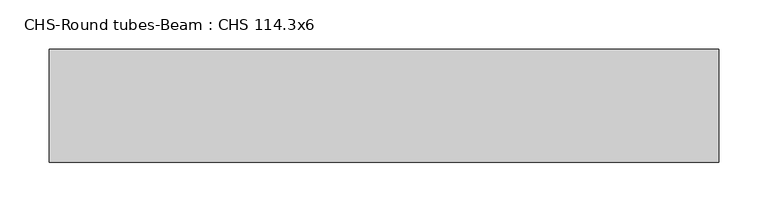
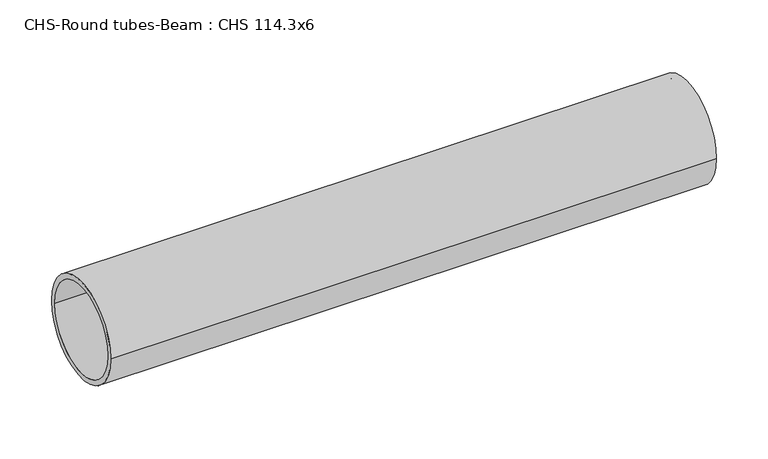
"""IFC4 building model written with IfcOpenShell, lengths in millimetres: beam geometry, CHS-Round tubes-Beam : CHS 114.3x6."""

import ifcopenshell
import ifcopenshell.guid

model = None  # the IFC model being written
_history = None  # IfcOwnerHistory: only IFC2X3 demands one
_inside = {}  # id of a spatial element -> (the spatial element, [elements in it])
_under = {}  # id of a project, library or spatial element -> (it, [spatial elements below it])
_declared = {}  # id of a project -> (the project, [libraries it declares])
_typed = {}  # id of a type object -> (the type object, [elements of that type])
_made_of = {}  # id of a material, layer set ... -> (it, [elements and type objects made of it])


def new_model(schema):
    """Start an empty IFC model of exactly this schema.

    Asked for "IFC4X3", IfcOpenShell would pick the latest addendum, in which some entities
    have other attributes; the version numbers below select the first issue.
    IFC2X3 requires an IfcOwnerHistory on every rooted entity: one is made here for all.
    """
    global model, _history
    if schema == "IFC4X3":
        model = ifcopenshell.file(schema_version=(4, 3, 0, 0))
    else:
        model = ifcopenshell.file(schema=schema)
    _inside.clear()
    _under.clear()
    _declared.clear()
    _typed.clear()
    _made_of.clear()
    _history = None
    if model.schema == "IFC2X3":
        org = make("IfcOrganization", Name="unknown")
        user = make(
            "IfcPersonAndOrganization",
            ThePerson=make("IfcPerson", FamilyName="unknown"),
            TheOrganization=org,
        )
        app = make(
            "IfcApplication",
            ApplicationDeveloper=org,
            Version="unknown",
            ApplicationFullName="unknown",
            ApplicationIdentifier="unknown",
        )
        _history = make(
            "IfcOwnerHistory",
            OwningUser=user,
            OwningApplication=app,
            ChangeAction="ADDED",
            CreationDate=0,
        )
    return model


def make(cls, **values):
    """One entity of the class cls with the attributes given. An attribute that is None is left unset."""
    return model.create_entity(
        cls, **{name: value for name, value in values.items() if value is not None}
    )


def rooted(cls, **values):
    """An entity with a GlobalId (a new one), such as an element, a storey or a relation."""
    return make(cls, GlobalId=ifcopenshell.guid.new(), OwnerHistory=_history, **values)


def si_unit(unit_type, name, prefix=None):
    """IfcSIUnit, for example si_unit("LENGTHUNIT", "METRE", prefix="MILLI")."""
    return make("IfcSIUnit", UnitType=unit_type, Prefix=prefix, Name=name)


def assignment(units):
    """IfcUnitAssignment: the units of a project."""
    return None if units is None else make("IfcUnitAssignment", Units=units)


def point(xyz):
    """IfcCartesianPoint."""
    return None if xyz is None else make("IfcCartesianPoint", Coordinates=xyz)


def direction(xyz):
    """IfcDirection."""
    return None if xyz is None else make("IfcDirection", DirectionRatios=xyz)


def frame(location, z_axis=None, x_axis=None):
    """IfcAxis2Placement3D, a coordinate frame: its origin and axes. An axis left out is left unset."""
    return make(
        "IfcAxis2Placement3D",
        Location=point(location),
        Axis=direction(z_axis),
        RefDirection=direction(x_axis),
    )


def frame_2d(location, x_axis=None):
    """IfcAxis2Placement2D, a coordinate frame in the plane: its origin and x axis."""
    return make(
        "IfcAxis2Placement2D", Location=point(location), RefDirection=direction(x_axis)
    )


def origin():
    """The frame at (0, 0, 0) with its axes left unset."""
    return frame((0.0, 0.0, 0.0))


def origin_2d():
    """The frame at (0, 0) in the plane with its x axis left unset."""
    return frame_2d((0.0, 0.0))


def place(relative_to, where):
    """IfcLocalPlacement: puts the frame where relative to a parent placement (None: the world)."""
    return make(
        "IfcLocalPlacement", PlacementRelTo=relative_to, RelativePlacement=where
    )


def context(
    kind, dimensions, precision=None, world=None, true_north=None, identifier=None
):
    """IfcGeometricRepresentationContext, for example the 3D "Model" context."""
    return make(
        "IfcGeometricRepresentationContext",
        ContextIdentifier=identifier,
        ContextType=kind,
        CoordinateSpaceDimension=dimensions,
        Precision=precision,
        WorldCoordinateSystem=world,
        TrueNorth=true_north,
    )


def project(units=None, contexts=None):
    """IfcProject with its units and contexts."""
    return rooted(
        "IfcProject",
        Name="project",
        RepresentationContexts=contexts,
        UnitsInContext=assignment(units),
    )


def spatial(cls, under=None, at=None, **own):
    """A site, building, storey or space (cls), placed at a placement, below another one or the project."""
    s = rooted(cls, ObjectPlacement=at, **own)
    if under is not None:
        _under.setdefault(under.id(), (under, []))[1].append(s)
    return s


def circle_curve(where, radius):
    """IfcCircle in the frame where."""
    return make("IfcCircle", Position=where, Radius=radius)


def trimmed(basis, trim1, trim2, sense, master):
    """IfcTrimmedCurve: the piece of a basis curve between two trims."""
    return make(
        "IfcTrimmedCurve",
        BasisCurve=basis,
        Trim1=trim1,
        Trim2=trim2,
        SenseAgreement=sense,
        MasterRepresentation=master,
    )


def segment(curve, same_sense, transition):
    """IfcCompositeCurveSegment."""
    return make(
        "IfcCompositeCurveSegment",
        Transition=transition,
        SameSense=same_sense,
        ParentCurve=curve,
    )


def composite_curve(segments, self_intersect=None):
    """IfcCompositeCurve: segments joined end to end."""
    return make("IfcCompositeCurve", Segments=segments, SelfIntersect=self_intersect)


def outline(outer, holes=None, kind="AREA"):
    """IfcArbitraryClosedProfileDef: a profile drawn as a closed curve; with holes, ...WithVoids."""
    if holes is None:
        return make("IfcArbitraryClosedProfileDef", ProfileType=kind, OuterCurve=outer)
    return make(
        "IfcArbitraryProfileDefWithVoids",
        ProfileType=kind,
        OuterCurve=outer,
        InnerCurves=holes,
    )


def extrude(swept, where, along, depth):
    """IfcExtrudedAreaSolid: the profile swept, set in the frame where, extruded along a direction by depth."""
    return make(
        "IfcExtrudedAreaSolid",
        SweptArea=swept,
        Position=where,
        ExtrudedDirection=direction(along),
        Depth=depth,
    )


def shape(context_of_items, identifier, shape_type, items):
    """IfcShapeRepresentation: the items that make up one representation, for example the "Body"."""
    return make(
        "IfcShapeRepresentation",
        ContextOfItems=context_of_items,
        RepresentationIdentifier=identifier,
        RepresentationType=shape_type,
        Items=items,
    )


def source(mapping_origin, context_of_items, identifier, shape_type, items):
    """IfcRepresentationMap: a shape defined once, which mapped items show again and again."""
    return make(
        "IfcRepresentationMap",
        MappingOrigin=mapping_origin,
        MappedRepresentation=shape(context_of_items, identifier, shape_type, items),
    )


def transform(
    local_origin,
    x_axis=None,
    y_axis=None,
    z_axis=None,
    scale=None,
    scale2=None,
    scale3=None,
    uniform=True,
):
    """IfcCartesianTransformationOperator3D, or its non-uniform kind. x_axis, y_axis, z_axis: its Axis1, 2, 3."""
    if uniform:
        return make(
            "IfcCartesianTransformationOperator3D",
            Axis1=direction(x_axis),
            Axis2=direction(y_axis),
            LocalOrigin=point(local_origin),
            Scale=scale,
            Axis3=direction(z_axis),
        )
    return make(
        "IfcCartesianTransformationOperator3DnonUniform",
        Axis1=direction(x_axis),
        Axis2=direction(y_axis),
        LocalOrigin=point(local_origin),
        Scale=scale,
        Axis3=direction(z_axis),
        Scale2=scale2,
        Scale3=scale3,
    )


def mapped(mapping_source, mapping_target):
    """IfcMappedItem: shows the shape of a source again, moved by a transform."""
    return make(
        "IfcMappedItem", MappingSource=mapping_source, MappingTarget=mapping_target
    )


def made_of(thing, what):
    """Note that an element or type object is made of a material, layer set ...; save() writes the relation."""
    if what is not None:
        _made_of.setdefault(what.id(), (what, []))[1].append(thing)
    return thing


def element(
    cls,
    number,
    at=None,
    inside=None,
    cuts=None,
    type_object=None,
    material=None,
    context=None,
    identifier="Body",
    shape_type=None,
    held_by="IfcProductDefinitionShape",
    body=None,
    shapes=None,
    **own,
):
    """One element of the class cls, such as IfcWall. Its Tag is "e" and its number.

    at: its placement. inside: the storey or other place that contains it. cuts: it is an
    opening in that element (IfcRelVoidsElement). A single representation is given by context,
    identifier, shape_type and body (its items); several are given by shapes. held_by: the class
    of the entity that holds the representations. save() writes the other relations.
    """
    e = rooted(cls, Tag="e%d" % number, ObjectPlacement=at, **own)
    if body is not None:
        shapes = [shape(context, identifier, shape_type, body)]
    if shapes is not None:
        e.Representation = make(held_by, Representations=shapes)
    if inside is not None:
        _inside.setdefault(inside.id(), (inside, []))[1].append(e)
    if cuts is not None:
        rooted(
            "IfcRelVoidsElement", RelatingBuildingElement=cuts, RelatedOpeningElement=e
        )
    if type_object is not None:
        _typed.setdefault(type_object.id(), (type_object, []))[1].append(e)
    return made_of(e, material)


def aggregate(whole, parts):
    """IfcRelAggregates: a whole, such as a stair, and the parts it consists of."""
    return rooted("IfcRelAggregates", RelatingObject=whole, RelatedObjects=parts)


def save(model, path):
    """Write the relations noted so far, then the file.

    IfcRelAggregates (storeys below a building ...), IfcRelContainedInSpatialStructure (elements
    in a storey), IfcRelDefinesByType, IfcRelAssociatesMaterial and IfcRelDeclares: one each for
    every whole, place, type object, material and project.
    """
    for whole, parts in _under.values():
        aggregate(whole, parts)
    for where, things in _inside.values():
        rooted(
            "IfcRelContainedInSpatialStructure",
            RelatedElements=things,
            RelatingStructure=where,
        )
    for kind, things in _typed.values():
        rooted("IfcRelDefinesByType", RelatedObjects=things, RelatingType=kind)
    for what, things in _made_of.values():
        rooted("IfcRelAssociatesMaterial", RelatedObjects=things, RelatingMaterial=what)
    for by, libraries in _declared.values():
        rooted("IfcRelDeclares", RelatingContext=by, RelatedDefinitions=libraries)
    model.write(path)


def chs_round_tubes_beam_chs_114_3x6_8bfd66c0(model_context):
    return source(origin(), model_context, "Body", "SweptSolid", [
        extrude(outline(composite_curve([segment(trimmed(circle_curve(origin_2d(), 57.15), [point((57.15, 0.0))], [point((-57.15, 0.0))], False, "CARTESIAN"), True, "CONTINUOUS"), segment(trimmed(circle_curve(origin_2d(), 57.15), [point((-57.15, 0.0))], [point((57.15, 0.0))], False, "CARTESIAN"), True, "CONTINUOUS")], self_intersect=False), holes=[composite_curve([segment(trimmed(circle_curve(origin_2d(), 51.15), [point((51.15, 0.0))], [point((-51.15, 0.0))], True, "CARTESIAN"), True, "CONTINUOUS"), segment(trimmed(circle_curve(origin_2d(), 51.15), [point((-51.15, 0.0))], [point((51.15, 0.0))], True, "CARTESIAN"), True, "CONTINUOUS")], self_intersect=False)]), frame((-298.0686223, 0.0, 0.0), z_axis=(1.0, 0.0, 0.0), x_axis=(0.0, 1.0, 0.0)), (0.0, 0.0, 1.0), 676.8023182),
    ])


if __name__ == "__main__":
    model = new_model("IFC4")
    model_context = context("Model", 3, world=origin())
    ifc_project = project(units=[si_unit("LENGTHUNIT", "METRE", prefix="MILLI")], contexts=[model_context])
    site = spatial("IfcSite", under=ifc_project)
    building = spatial("IfcBuilding", under=site)
    placement = place(None, origin())
    chs_round_tubes_beam_chs_114_3x6_shape = chs_round_tubes_beam_chs_114_3x6_8bfd66c0(model_context)
    element("IfcBeam", 1, ObjectType="CHS-Round tubes-Beam : CHS 114.3x6", at=placement, inside=building, context=model_context, shape_type="MappedRepresentation", body=[
        mapped(chs_round_tubes_beam_chs_114_3x6_shape, transform((0.0, 0.0, 0.0), x_axis=(1.0, 0.0, 0.0), y_axis=(0.0, 1.0, 0.0), z_axis=(0.0, 0.0, 1.0))),
    ])
    save(model, "model.ifc")
